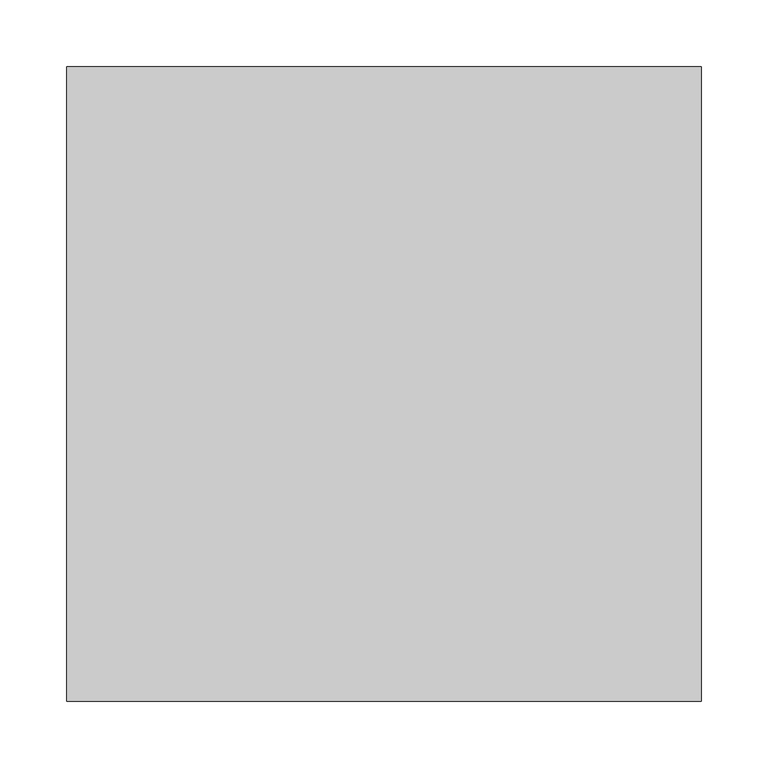
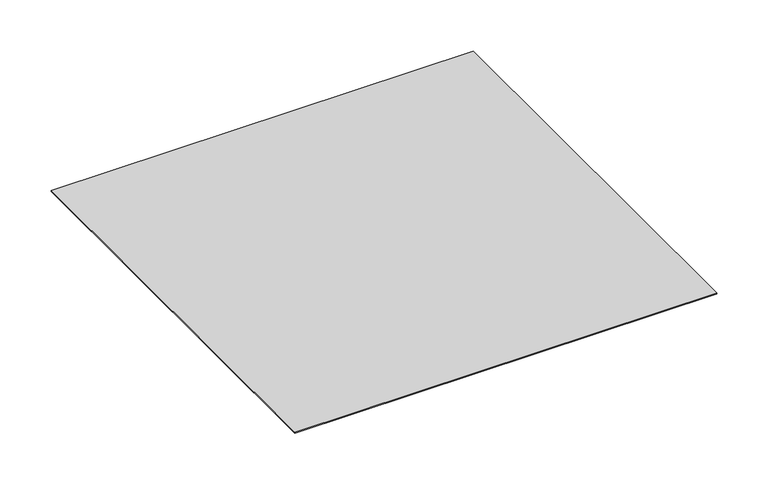
"""IFC4 building model written with IfcOpenShell, lengths in millimetres: proxy geometry."""

from ifc_helpers import new_model, si_unit, origin, origin_with_axes, place, context, project, spatial, polyline, outline, extrude, source, transform, mapped, element, save


def generic_models_914e832b(model_context):
    return source(origin(), model_context, "Body", "SweptSolid", [
        extrude(outline(polyline([(237.5, 237.5), (237.5, -237.5), (-237.5, -237.5), (-237.5, 237.5), (237.5, 237.5)])), origin_with_axes(), (0.0, 0.0, 1.0), 1.0),
    ])


if __name__ == "__main__":
    model = new_model("IFC4")
    model_context = context("Model", 3, world=origin())
    ifc_project = project(units=[si_unit("LENGTHUNIT", "METRE", prefix="MILLI")], contexts=[model_context])
    site = spatial("IfcSite", under=ifc_project)
    building = spatial("IfcBuilding", under=site)
    placement = place(None, origin())
    generic_models_shape = generic_models_914e832b(model_context)
    element("IfcBuildingElementProxy", 1, Name="Generic Models", at=placement, inside=building, context=model_context, shape_type="MappedRepresentation", body=[
        mapped(generic_models_shape, transform((0.0, 0.0, 0.0), x_axis=(1.0, 0.0, 0.0), y_axis=(0.0, 1.0, 0.0), z_axis=(0.0, 0.0, 1.0))),
    ])
    save(model, "model.ifc")
